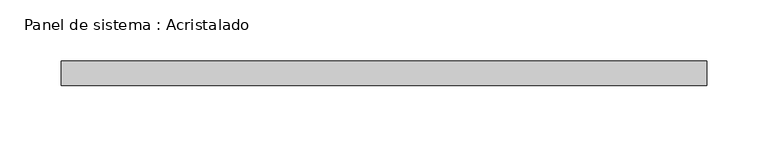
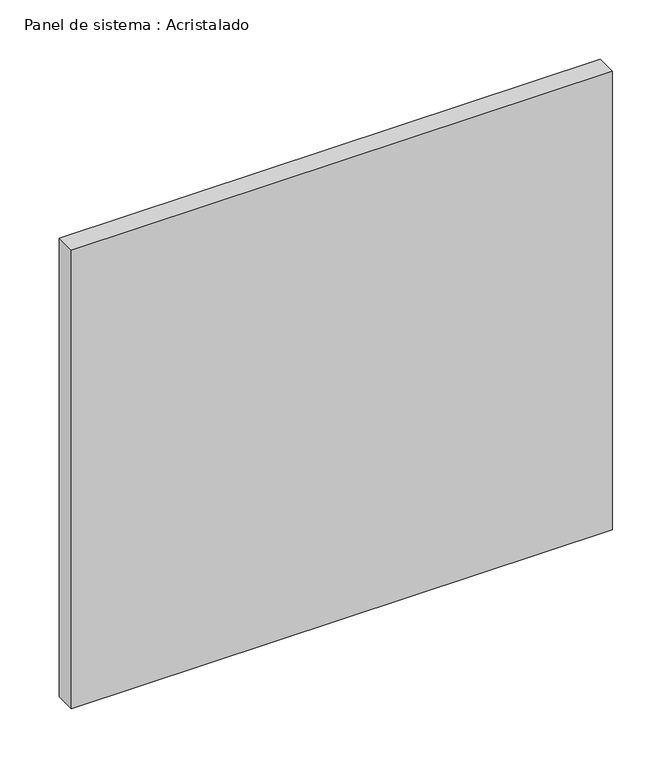
"""IFC4 building model written with IfcOpenShell, lengths in millimetres: plate geometry, Panel de sistema : Acristalado."""

import ifcopenshell
import ifcopenshell.guid

model = None  # the IFC model being written
_history = None  # IfcOwnerHistory: only IFC2X3 demands one
_inside = {}  # id of a spatial element -> (the spatial element, [elements in it])
_under = {}  # id of a project, library or spatial element -> (it, [spatial elements below it])
_declared = {}  # id of a project -> (the project, [libraries it declares])
_typed = {}  # id of a type object -> (the type object, [elements of that type])
_made_of = {}  # id of a material, layer set ... -> (it, [elements and type objects made of it])


def new_model(schema):
    """Start an empty IFC model of exactly this schema.

    Asked for "IFC4X3", IfcOpenShell would pick the latest addendum, in which some entities
    have other attributes; the version numbers below select the first issue.
    IFC2X3 requires an IfcOwnerHistory on every rooted entity: one is made here for all.
    """
    global model, _history
    if schema == "IFC4X3":
        model = ifcopenshell.file(schema_version=(4, 3, 0, 0))
    else:
        model = ifcopenshell.file(schema=schema)
    _inside.clear()
    _under.clear()
    _declared.clear()
    _typed.clear()
    _made_of.clear()
    _history = None
    if model.schema == "IFC2X3":
        org = make("IfcOrganization", Name="unknown")
        user = make(
            "IfcPersonAndOrganization",
            ThePerson=make("IfcPerson", FamilyName="unknown"),
            TheOrganization=org,
        )
        app = make(
            "IfcApplication",
            ApplicationDeveloper=org,
            Version="unknown",
            ApplicationFullName="unknown",
            ApplicationIdentifier="unknown",
        )
        _history = make(
            "IfcOwnerHistory",
            OwningUser=user,
            OwningApplication=app,
            ChangeAction="ADDED",
            CreationDate=0,
        )
    return model


def make(cls, **values):
    """One entity of the class cls with the attributes given. An attribute that is None is left unset."""
    return model.create_entity(
        cls, **{name: value for name, value in values.items() if value is not None}
    )


def rooted(cls, **values):
    """An entity with a GlobalId (a new one), such as an element, a storey or a relation."""
    return make(cls, GlobalId=ifcopenshell.guid.new(), OwnerHistory=_history, **values)


def si_unit(unit_type, name, prefix=None):
    """IfcSIUnit, for example si_unit("LENGTHUNIT", "METRE", prefix="MILLI")."""
    return make("IfcSIUnit", UnitType=unit_type, Prefix=prefix, Name=name)


def assignment(units):
    """IfcUnitAssignment: the units of a project."""
    return None if units is None else make("IfcUnitAssignment", Units=units)


def point(xyz):
    """IfcCartesianPoint."""
    return None if xyz is None else make("IfcCartesianPoint", Coordinates=xyz)


def direction(xyz):
    """IfcDirection."""
    return None if xyz is None else make("IfcDirection", DirectionRatios=xyz)


def frame(location, z_axis=None, x_axis=None):
    """IfcAxis2Placement3D, a coordinate frame: its origin and axes. An axis left out is left unset."""
    return make(
        "IfcAxis2Placement3D",
        Location=point(location),
        Axis=direction(z_axis),
        RefDirection=direction(x_axis),
    )


def origin():
    """The frame at (0, 0, 0) with its axes left unset."""
    return frame((0.0, 0.0, 0.0))


def origin_with_axes():
    """The frame at (0, 0, 0) with the z axis (0, 0, 1) and the x axis (1, 0, 0) written out."""
    return frame((0.0, 0.0, 0.0), z_axis=(0.0, 0.0, 1.0), x_axis=(1.0, 0.0, 0.0))


def place(relative_to, where):
    """IfcLocalPlacement: puts the frame where relative to a parent placement (None: the world)."""
    return make(
        "IfcLocalPlacement", PlacementRelTo=relative_to, RelativePlacement=where
    )


def context(
    kind, dimensions, precision=None, world=None, true_north=None, identifier=None
):
    """IfcGeometricRepresentationContext, for example the 3D "Model" context."""
    return make(
        "IfcGeometricRepresentationContext",
        ContextIdentifier=identifier,
        ContextType=kind,
        CoordinateSpaceDimension=dimensions,
        Precision=precision,
        WorldCoordinateSystem=world,
        TrueNorth=true_north,
    )


def project(units=None, contexts=None):
    """IfcProject with its units and contexts."""
    return rooted(
        "IfcProject",
        Name="project",
        RepresentationContexts=contexts,
        UnitsInContext=assignment(units),
    )


def spatial(cls, under=None, at=None, **own):
    """A site, building, storey or space (cls), placed at a placement, below another one or the project."""
    s = rooted(cls, ObjectPlacement=at, **own)
    if under is not None:
        _under.setdefault(under.id(), (under, []))[1].append(s)
    return s


def polyline(points):
    """IfcPolyline through the points."""
    return make("IfcPolyline", Points=[point(p) for p in points])


def outline(outer, holes=None, kind="AREA"):
    """IfcArbitraryClosedProfileDef: a profile drawn as a closed curve; with holes, ...WithVoids."""
    if holes is None:
        return make("IfcArbitraryClosedProfileDef", ProfileType=kind, OuterCurve=outer)
    return make(
        "IfcArbitraryProfileDefWithVoids",
        ProfileType=kind,
        OuterCurve=outer,
        InnerCurves=holes,
    )


def extrude(swept, where, along, depth):
    """IfcExtrudedAreaSolid: the profile swept, set in the frame where, extruded along a direction by depth."""
    return make(
        "IfcExtrudedAreaSolid",
        SweptArea=swept,
        Position=where,
        ExtrudedDirection=direction(along),
        Depth=depth,
    )


def shape(context_of_items, identifier, shape_type, items):
    """IfcShapeRepresentation: the items that make up one representation, for example the "Body"."""
    return make(
        "IfcShapeRepresentation",
        ContextOfItems=context_of_items,
        RepresentationIdentifier=identifier,
        RepresentationType=shape_type,
        Items=items,
    )


def source(mapping_origin, context_of_items, identifier, shape_type, items):
    """IfcRepresentationMap: a shape defined once, which mapped items show again and again."""
    return make(
        "IfcRepresentationMap",
        MappingOrigin=mapping_origin,
        MappedRepresentation=shape(context_of_items, identifier, shape_type, items),
    )


def transform(
    local_origin,
    x_axis=None,
    y_axis=None,
    z_axis=None,
    scale=None,
    scale2=None,
    scale3=None,
    uniform=True,
):
    """IfcCartesianTransformationOperator3D, or its non-uniform kind. x_axis, y_axis, z_axis: its Axis1, 2, 3."""
    if uniform:
        return make(
            "IfcCartesianTransformationOperator3D",
            Axis1=direction(x_axis),
            Axis2=direction(y_axis),
            LocalOrigin=point(local_origin),
            Scale=scale,
            Axis3=direction(z_axis),
        )
    return make(
        "IfcCartesianTransformationOperator3DnonUniform",
        Axis1=direction(x_axis),
        Axis2=direction(y_axis),
        LocalOrigin=point(local_origin),
        Scale=scale,
        Axis3=direction(z_axis),
        Scale2=scale2,
        Scale3=scale3,
    )


def mapped(mapping_source, mapping_target):
    """IfcMappedItem: shows the shape of a source again, moved by a transform."""
    return make(
        "IfcMappedItem", MappingSource=mapping_source, MappingTarget=mapping_target
    )


def made_of(thing, what):
    """Note that an element or type object is made of a material, layer set ...; save() writes the relation."""
    if what is not None:
        _made_of.setdefault(what.id(), (what, []))[1].append(thing)
    return thing


def element(
    cls,
    number,
    at=None,
    inside=None,
    cuts=None,
    type_object=None,
    material=None,
    context=None,
    identifier="Body",
    shape_type=None,
    held_by="IfcProductDefinitionShape",
    body=None,
    shapes=None,
    **own,
):
    """One element of the class cls, such as IfcWall. Its Tag is "e" and its number.

    at: its placement. inside: the storey or other place that contains it. cuts: it is an
    opening in that element (IfcRelVoidsElement). A single representation is given by context,
    identifier, shape_type and body (its items); several are given by shapes. held_by: the class
    of the entity that holds the representations. save() writes the other relations.
    """
    e = rooted(cls, Tag="e%d" % number, ObjectPlacement=at, **own)
    if body is not None:
        shapes = [shape(context, identifier, shape_type, body)]
    if shapes is not None:
        e.Representation = make(held_by, Representations=shapes)
    if inside is not None:
        _inside.setdefault(inside.id(), (inside, []))[1].append(e)
    if cuts is not None:
        rooted(
            "IfcRelVoidsElement", RelatingBuildingElement=cuts, RelatedOpeningElement=e
        )
    if type_object is not None:
        _typed.setdefault(type_object.id(), (type_object, []))[1].append(e)
    return made_of(e, material)


def aggregate(whole, parts):
    """IfcRelAggregates: a whole, such as a stair, and the parts it consists of."""
    return rooted("IfcRelAggregates", RelatingObject=whole, RelatedObjects=parts)


def save(model, path):
    """Write the relations noted so far, then the file.

    IfcRelAggregates (storeys below a building ...), IfcRelContainedInSpatialStructure (elements
    in a storey), IfcRelDefinesByType, IfcRelAssociatesMaterial and IfcRelDeclares: one each for
    every whole, place, type object, material and project.
    """
    for whole, parts in _under.values():
        aggregate(whole, parts)
    for where, things in _inside.values():
        rooted(
            "IfcRelContainedInSpatialStructure",
            RelatedElements=things,
            RelatingStructure=where,
        )
    for kind, things in _typed.values():
        rooted("IfcRelDefinesByType", RelatedObjects=things, RelatingType=kind)
    for what, things in _made_of.values():
        rooted("IfcRelAssociatesMaterial", RelatedObjects=things, RelatingMaterial=what)
    for by, libraries in _declared.values():
        rooted("IfcRelDeclares", RelatingContext=by, RelatedDefinitions=libraries)
    model.write(path)


def panel_de_sistema_acristalado_a27af644(model_context):
    return source(origin(), model_context, "Body", "SweptSolid", [
        extrude(outline(polyline([(263.5, -10.0), (-263.5, -10.0), (-263.5, 10.0), (263.5, 10.0), (263.5, -10.0)])), origin_with_axes(), (0.0, 0.0, 1.0), 472.0),
    ])


if __name__ == "__main__":
    model = new_model("IFC4")
    model_context = context("Model", 3, world=origin())
    ifc_project = project(units=[si_unit("LENGTHUNIT", "METRE", prefix="MILLI")], contexts=[model_context])
    site = spatial("IfcSite", under=ifc_project)
    building = spatial("IfcBuilding", under=site)
    placement = place(None, origin())
    panel_de_sistema_acristalado_shape = panel_de_sistema_acristalado_a27af644(model_context)
    element("IfcPlate", 1, ObjectType="Panel de sistema : Acristalado", at=placement, inside=building, context=model_context, shape_type="MappedRepresentation", body=[
        mapped(panel_de_sistema_acristalado_shape, transform((0.0, 0.0, 0.0), x_axis=(1.0, 0.0, 0.0), y_axis=(0.0, 1.0, 0.0), z_axis=(0.0, 0.0, 1.0))),
    ])
    save(model, "model.ifc")
